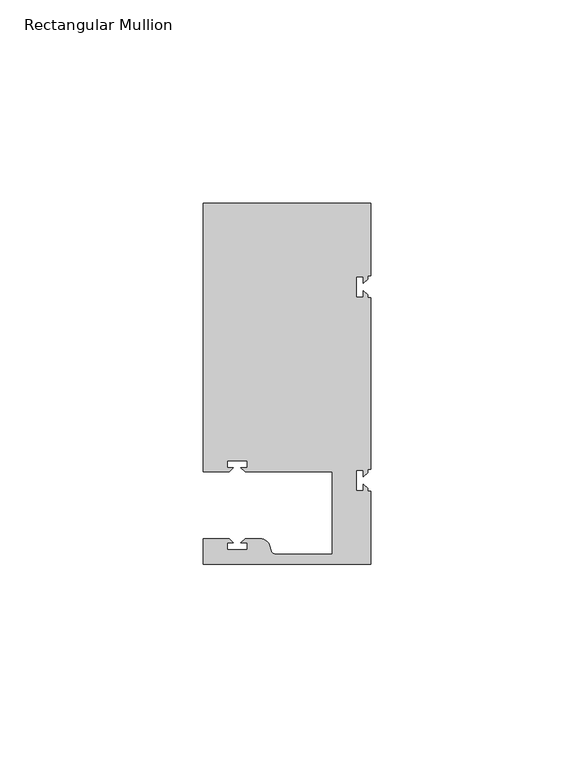
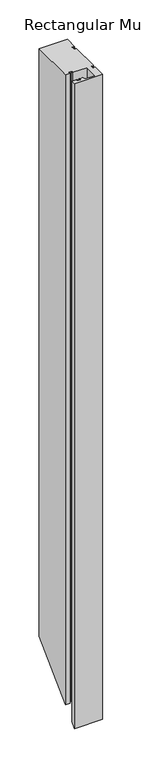
"""IFC4 building model written with IfcOpenShell, lengths in millimetres: member geometry, Rectangular Mullion."""

import ifcopenshell
import ifcopenshell.guid

model = None  # the IFC model being written
_history = None  # IfcOwnerHistory: only IFC2X3 demands one
_inside = {}  # id of a spatial element -> (the spatial element, [elements in it])
_under = {}  # id of a project, library or spatial element -> (it, [spatial elements below it])
_declared = {}  # id of a project -> (the project, [libraries it declares])
_typed = {}  # id of a type object -> (the type object, [elements of that type])
_made_of = {}  # id of a material, layer set ... -> (it, [elements and type objects made of it])


def new_model(schema):
    """Start an empty IFC model of exactly this schema.

    Asked for "IFC4X3", IfcOpenShell would pick the latest addendum, in which some entities
    have other attributes; the version numbers below select the first issue.
    IFC2X3 requires an IfcOwnerHistory on every rooted entity: one is made here for all.
    """
    global model, _history
    if schema == "IFC4X3":
        model = ifcopenshell.file(schema_version=(4, 3, 0, 0))
    else:
        model = ifcopenshell.file(schema=schema)
    _inside.clear()
    _under.clear()
    _declared.clear()
    _typed.clear()
    _made_of.clear()
    _history = None
    if model.schema == "IFC2X3":
        org = make("IfcOrganization", Name="unknown")
        user = make(
            "IfcPersonAndOrganization",
            ThePerson=make("IfcPerson", FamilyName="unknown"),
            TheOrganization=org,
        )
        app = make(
            "IfcApplication",
            ApplicationDeveloper=org,
            Version="unknown",
            ApplicationFullName="unknown",
            ApplicationIdentifier="unknown",
        )
        _history = make(
            "IfcOwnerHistory",
            OwningUser=user,
            OwningApplication=app,
            ChangeAction="ADDED",
            CreationDate=0,
        )
    return model


def make(cls, **values):
    """One entity of the class cls with the attributes given. An attribute that is None is left unset."""
    return model.create_entity(
        cls, **{name: value for name, value in values.items() if value is not None}
    )


def rooted(cls, **values):
    """An entity with a GlobalId (a new one), such as an element, a storey or a relation."""
    return make(cls, GlobalId=ifcopenshell.guid.new(), OwnerHistory=_history, **values)


def si_unit(unit_type, name, prefix=None):
    """IfcSIUnit, for example si_unit("LENGTHUNIT", "METRE", prefix="MILLI")."""
    return make("IfcSIUnit", UnitType=unit_type, Prefix=prefix, Name=name)


def assignment(units):
    """IfcUnitAssignment: the units of a project."""
    return None if units is None else make("IfcUnitAssignment", Units=units)


def point(xyz):
    """IfcCartesianPoint."""
    return None if xyz is None else make("IfcCartesianPoint", Coordinates=xyz)


def direction(xyz):
    """IfcDirection."""
    return None if xyz is None else make("IfcDirection", DirectionRatios=xyz)


def frame(location, z_axis=None, x_axis=None):
    """IfcAxis2Placement3D, a coordinate frame: its origin and axes. An axis left out is left unset."""
    return make(
        "IfcAxis2Placement3D",
        Location=point(location),
        Axis=direction(z_axis),
        RefDirection=direction(x_axis),
    )


def origin():
    """The frame at (0, 0, 0) with its axes left unset."""
    return frame((0.0, 0.0, 0.0))


def place(relative_to, where):
    """IfcLocalPlacement: puts the frame where relative to a parent placement (None: the world)."""
    return make(
        "IfcLocalPlacement", PlacementRelTo=relative_to, RelativePlacement=where
    )


def context(
    kind, dimensions, precision=None, world=None, true_north=None, identifier=None
):
    """IfcGeometricRepresentationContext, for example the 3D "Model" context."""
    return make(
        "IfcGeometricRepresentationContext",
        ContextIdentifier=identifier,
        ContextType=kind,
        CoordinateSpaceDimension=dimensions,
        Precision=precision,
        WorldCoordinateSystem=world,
        TrueNorth=true_north,
    )


def project(units=None, contexts=None):
    """IfcProject with its units and contexts."""
    return rooted(
        "IfcProject",
        Name="project",
        RepresentationContexts=contexts,
        UnitsInContext=assignment(units),
    )


def spatial(cls, under=None, at=None, **own):
    """A site, building, storey or space (cls), placed at a placement, below another one or the project."""
    s = rooted(cls, ObjectPlacement=at, **own)
    if under is not None:
        _under.setdefault(under.id(), (under, []))[1].append(s)
    return s


def polyline(points):
    """IfcPolyline through the points."""
    return make("IfcPolyline", Points=[point(p) for p in points])


def circle_curve(where, radius):
    """IfcCircle in the frame where."""
    return make("IfcCircle", Position=where, Radius=radius)


def ellipse_curve(where, semi_axis1, semi_axis2):
    """IfcEllipse in the frame where."""
    return make(
        "IfcEllipse", Position=where, SemiAxis1=semi_axis1, SemiAxis2=semi_axis2
    )


def shape(context_of_items, identifier, shape_type, items):
    """IfcShapeRepresentation: the items that make up one representation, for example the "Body"."""
    return make(
        "IfcShapeRepresentation",
        ContextOfItems=context_of_items,
        RepresentationIdentifier=identifier,
        RepresentationType=shape_type,
        Items=items,
    )


def source(mapping_origin, context_of_items, identifier, shape_type, items):
    """IfcRepresentationMap: a shape defined once, which mapped items show again and again."""
    return make(
        "IfcRepresentationMap",
        MappingOrigin=mapping_origin,
        MappedRepresentation=shape(context_of_items, identifier, shape_type, items),
    )


def transform(
    local_origin,
    x_axis=None,
    y_axis=None,
    z_axis=None,
    scale=None,
    scale2=None,
    scale3=None,
    uniform=True,
):
    """IfcCartesianTransformationOperator3D, or its non-uniform kind. x_axis, y_axis, z_axis: its Axis1, 2, 3."""
    if uniform:
        return make(
            "IfcCartesianTransformationOperator3D",
            Axis1=direction(x_axis),
            Axis2=direction(y_axis),
            LocalOrigin=point(local_origin),
            Scale=scale,
            Axis3=direction(z_axis),
        )
    return make(
        "IfcCartesianTransformationOperator3DnonUniform",
        Axis1=direction(x_axis),
        Axis2=direction(y_axis),
        LocalOrigin=point(local_origin),
        Scale=scale,
        Axis3=direction(z_axis),
        Scale2=scale2,
        Scale3=scale3,
    )


def mapped(mapping_source, mapping_target):
    """IfcMappedItem: shows the shape of a source again, moved by a transform."""
    return make(
        "IfcMappedItem", MappingSource=mapping_source, MappingTarget=mapping_target
    )


def made_of(thing, what):
    """Note that an element or type object is made of a material, layer set ...; save() writes the relation."""
    if what is not None:
        _made_of.setdefault(what.id(), (what, []))[1].append(thing)
    return thing


def element(
    cls,
    number,
    at=None,
    inside=None,
    cuts=None,
    type_object=None,
    material=None,
    context=None,
    identifier="Body",
    shape_type=None,
    held_by="IfcProductDefinitionShape",
    body=None,
    shapes=None,
    **own,
):
    """One element of the class cls, such as IfcWall. Its Tag is "e" and its number.

    at: its placement. inside: the storey or other place that contains it. cuts: it is an
    opening in that element (IfcRelVoidsElement). A single representation is given by context,
    identifier, shape_type and body (its items); several are given by shapes. held_by: the class
    of the entity that holds the representations. save() writes the other relations.
    """
    e = rooted(cls, Tag="e%d" % number, ObjectPlacement=at, **own)
    if body is not None:
        shapes = [shape(context, identifier, shape_type, body)]
    if shapes is not None:
        e.Representation = make(held_by, Representations=shapes)
    if inside is not None:
        _inside.setdefault(inside.id(), (inside, []))[1].append(e)
    if cuts is not None:
        rooted(
            "IfcRelVoidsElement", RelatingBuildingElement=cuts, RelatedOpeningElement=e
        )
    if type_object is not None:
        _typed.setdefault(type_object.id(), (type_object, []))[1].append(e)
    return made_of(e, material)


def aggregate(whole, parts):
    """IfcRelAggregates: a whole, such as a stair, and the parts it consists of."""
    return rooted("IfcRelAggregates", RelatingObject=whole, RelatedObjects=parts)


def save(model, path):
    """Write the relations noted so far, then the file.

    IfcRelAggregates (storeys below a building ...), IfcRelContainedInSpatialStructure (elements
    in a storey), IfcRelDefinesByType, IfcRelAssociatesMaterial and IfcRelDeclares: one each for
    every whole, place, type object, material and project.
    """
    for whole, parts in _under.values():
        aggregate(whole, parts)
    for where, things in _inside.values():
        rooted(
            "IfcRelContainedInSpatialStructure",
            RelatedElements=things,
            RelatingStructure=where,
        )
    for kind, things in _typed.values():
        rooted("IfcRelDefinesByType", RelatedObjects=things, RelatingType=kind)
    for what, things in _made_of.values():
        rooted("IfcRelAssociatesMaterial", RelatedObjects=things, RelatingMaterial=what)
    for by, libraries in _declared.values():
        rooted("IfcRelDeclares", RelatingContext=by, RelatedDefinitions=libraries)
    model.write(path)


def plane_surface(at):
    """IfcPlane: the flat surface through the origin of the frame at, square to its z axis."""
    return make("IfcPlane", Position=at)


def cylinder_surface(at, radius):
    """IfcCylindricalSurface: all points at the distance radius from the z axis of the frame at."""
    return make("IfcCylindricalSurface", Position=at, Radius=radius)


def revolved_surface(curve, axis_point, axis_direction):
    """IfcSurfaceOfRevolution: the curve turned about the line through axis_point along axis_direction."""
    return make(
        "IfcSurfaceOfRevolution",
        SweptCurve=make("IfcArbitraryOpenProfileDef", ProfileType="CURVE", Curve=curve),
        AxisPosition=make("IfcAxis1Placement", Location=point(axis_point), Axis=direction(axis_direction)),
    )


def advanced_brep(points, edges, surfaces, faces):
    """IfcAdvancedBrep: a solid bounded by faces that lie on surfaces and meet in shared edges.

    An edge is (start, end): straight between two places in points (the first is 0);
    or (start, end, curve); or (start, end, curve, False) where it runs against its curve.
    A face is (place in surfaces, loops), or (place, loops, False) where it looks against
    its surface's normal. A loop lists edges by number (the first is 1), with a minus sign
    where the edge is run from its end to its start. The first loop is the outer one.
    """
    corners = [point(p) for p in points]
    vertices = [make("IfcVertexPoint", VertexGeometry=c) for c in corners]
    made = []
    for start, end, *more in edges:
        made.append(
            make(
                "IfcEdgeCurve",
                EdgeStart=vertices[start],
                EdgeEnd=vertices[end],
                EdgeGeometry=more[0] if more else make("IfcPolyline", Points=[corners[start], corners[end]]),
                SameSense=more[1] if len(more) > 1 else True,
            )
        )
    hull = []
    for where, loops, *sense in faces:
        bounds = []
        for j, loop in enumerate(loops):
            ring = [make("IfcOrientedEdge", EdgeElement=made[abs(k) - 1], Orientation=k > 0) for k in loop]
            bounds.append(
                make(
                    "IfcFaceOuterBound" if j == 0 else "IfcFaceBound",
                    Bound=make("IfcEdgeLoop", EdgeList=ring),
                    Orientation=True,
                )
            )
        hull.append(make("IfcAdvancedFace", Bounds=bounds, FaceSurface=surfaces[where], SameSense=sense[0] if sense else True))
    return make("IfcAdvancedBrep", Outer=make("IfcClosedShell", CfsFaces=hull))


def rectangular_mullion_e3316a79(model_context):
    return source(origin(), model_context, "Body", "AdvancedBrep", [
        advanced_brep(
        [(0.0, -44.45, 0.0), (0.0, -26.5319902, 0.0), (-0.79375, -26.5319902, 0.0), (-0.79375, -25.7382402, 0.0), (-1.7937657, -24.7382245, 0.0), (-1.7937657, -26.3124974, 0.0), (-3.5938131, -26.3124974, 0.0), (-3.5938131, -21.3125026, 0.0), (-1.7937657, -21.3125026, 0.0), (-1.7937657, -22.88674, 0.0), (-0.79375, -21.8867243, 0.0), (-0.79375, -21.0930098, 0.0), (0.0, -21.0930098, 0.0), (0.0, 21.0930098, 0.0), (-0.79375, 21.0930098, 0.0), (-0.79375, 21.8867598, 0.0), (-1.7937657, 22.8867755, 0.0), (-1.7937657, 21.3125026, 0.0), (-3.5938131, 21.3125026, 0.0), (-3.5938131, 26.3124974, 0.0), (-1.7937657, 26.3124974, 0.0), (-1.7937657, 24.73826, 0.0), (-0.79375, 25.7382757, 0.0), (-0.79375, 26.5319902, 0.0), (0.0, 26.5319902, 0.0), (0.0, 44.45, 0.0), (-41.275, 44.45, 0.0), (-41.275, -21.749999, 0.0), (-34.8007562, -21.749999, 0.0), (-33.8007405, -20.7499834, 0.0), (-35.3750134, -20.7499834, 0.0), (-35.3750134, -18.949936, 0.0), (-30.3750186, -18.949936, 0.0), (-30.3750186, -20.7499834, 0.0), (-31.949256, -20.7499834, 0.0), (-30.9492434, -21.7499959, 0.0), (-9.525, -21.7499959, 0.0), (-9.525, -41.95, 0.0), (-23.5599329, -41.95, 0.0), (-24.5258588, -41.2088192, 0.0), (-24.8489707, -40.002949, 0.0), (-27.2637853, -38.1499966, 0.0), (-30.9492503, -38.1499966, 0.0), (-31.949256, -39.1500023, 0.0), (-30.3749831, -39.1500023, 0.0), (-30.3749831, -40.9498819, 0.0), (-35.3749778, -40.9498819, 0.0), (-35.3749778, -39.1500023, 0.0), (-33.8007405, -39.1500023, 0.0), (-34.8007531, -38.1499897, 0.0), (-41.2749977, -38.1499897, 0.0), (-41.2749977, -44.45, 0.0), (0.0, -44.45, -996.95), (0.0, -26.5319902, -979.0319902), (-0.79375, -26.5319902, -979.0319902), (-0.79375, -25.7382402, -978.2382402), (-1.7937657, -24.7382245, -977.2382245), (-1.7937657, -26.3124974, -978.8124974), (-3.5938131, -26.3124974, -978.8124974), (-3.5938131, -21.3125026, -973.8125026), (-1.7937657, -21.3125026, -973.8125026), (-1.7937657, -22.88674, -975.38674), (-0.79375, -21.8867243, -974.3867243), (-0.79375, -21.0930098, -973.5930098), (0.0, -21.0930098, -973.5930098), (0.0, 21.0930098, -931.4069902), (-0.79375, 21.0930098, -931.4069902), (-0.79375, 21.8867598, -930.6132402), (-1.7937657, 22.8867755, -929.6132245), (-1.7937657, 21.3125026, -931.1874974), (-3.5938131, 21.3125026, -931.1874974), (-3.5938131, 26.3124974, -926.1875026), (-1.7937657, 26.3124974, -926.1875026), (-1.7937657, 24.73826, -927.76174), (-0.79375, 25.7382757, -926.7617243), (-0.79375, 26.5319902, -925.9680098), (0.0, 26.5319902, -925.9680098), (0.0, 44.45, -908.05), (-41.275, 44.45, -908.05), (-41.275, -21.749999, -974.249999), (-34.8007562, -21.749999, -974.249999), (-33.8007405, -20.7499834, -973.2499834), (-35.3750134, -20.7499834, -973.2499834), (-35.3750134, -18.949936, -971.449936), (-30.3750186, -18.949936, -971.449936), (-30.3750186, -20.7499834, -973.2499834), (-31.949256, -20.7499834, -973.2499834), (-30.9492434, -21.7499959, -974.2499959), (-9.525, -21.7499959, -974.2499959), (-9.525, -41.95, -994.45), (-23.5599329, -41.95, -994.4500001), (-24.5258588, -41.2088192, -993.7088192), (-24.8489707, -40.002949, -992.502949), (-27.2637853, -38.1499966, -990.6499966), (-30.9492503, -38.1499966, -990.6499966), (-31.949256, -39.1500023, -991.6500023), (-30.3749831, -39.1500023, -991.6500023), (-30.3749831, -40.9498819, -993.4498819), (-35.3749778, -40.9498819, -993.4498819), (-35.3749778, -39.1500023, -991.6500023), (-33.8007405, -39.1500023, -991.6500023), (-34.8007531, -38.1499897, -990.6499897), (-41.2749977, -38.1499897, -990.6499897), (-41.2749977, -44.45, -996.95)],
        [
            (0, 1),
            (1, 2),
            (2, 3),
            (3, 4),
            (4, 5),
            (5, 6),
            (6, 7),
            (7, 8),
            (8, 9),
            (9, 10),
            (10, 11),
            (11, 12),
            (12, 13),
            (13, 14),
            (14, 15),
            (15, 16),
            (16, 17),
            (17, 18),
            (18, 19),
            (19, 20),
            (20, 21),
            (21, 22),
            (22, 23),
            (23, 24),
            (24, 25),
            (25, 26),
            (26, 27),
            (27, 28),
            (28, 29),
            (29, 30),
            (30, 31),
            (31, 32),
            (32, 33),
            (33, 34),
            (34, 35),
            (35, 36),
            (36, 37),
            (37, 38),
            (38, 39, circle_curve(frame((-23.5599329, -40.9500001, 0.0), z_axis=(0.0, 0.0, -1.0), x_axis=(0.0, 1.0, 0.0)), 1.0)),
            (39, 40),
            (40, 41, circle_curve(frame((-27.2637853, -40.6499966, 0.0), z_axis=(0.0, 0.0, 1.0), x_axis=(0.0, 1.0, 0.0)), 2.5)),
            (41, 42),
            (42, 43),
            (43, 44),
            (44, 45),
            (45, 46),
            (46, 47),
            (47, 48),
            (48, 49),
            (49, 50),
            (50, 51),
            (51, 0),
            (0, 52),
            (52, 53),
            (53, 1),
            (53, 54),
            (54, 2),
            (54, 55),
            (55, 3),
            (55, 56),
            (56, 4),
            (56, 57),
            (57, 5),
            (57, 58),
            (58, 6),
            (58, 59),
            (59, 7),
            (59, 60),
            (60, 8),
            (60, 61),
            (61, 9),
            (61, 62),
            (62, 10),
            (62, 63),
            (63, 11),
            (63, 64),
            (64, 12),
            (64, 65),
            (65, 13),
            (65, 66),
            (66, 14),
            (66, 67),
            (67, 15),
            (67, 68),
            (68, 16),
            (68, 69),
            (69, 17),
            (69, 70),
            (70, 18),
            (70, 71),
            (71, 19),
            (71, 72),
            (72, 20),
            (72, 73),
            (73, 21),
            (73, 74),
            (74, 22),
            (74, 75),
            (75, 23),
            (75, 76),
            (76, 24),
            (76, 77),
            (77, 25),
            (77, 78),
            (78, 26),
            (78, 79),
            (79, 27),
            (79, 80),
            (80, 28),
            (80, 81),
            (81, 29),
            (81, 82),
            (82, 30),
            (82, 83),
            (83, 31),
            (83, 84),
            (84, 32),
            (84, 85),
            (85, 33),
            (85, 86),
            (86, 34),
            (86, 87),
            (87, 35),
            (87, 88),
            (88, 36),
            (88, 89),
            (89, 37),
            (89, 90),
            (90, 38),
            (90, 91, ellipse_curve(frame((-23.5599329, -40.9500001, -993.4500001), z_axis=(0.0, 0.7071067811865476, -0.7071067811865476), x_axis=(0.0, -0.7071067811865476, -0.7071067811865474)), 1.4142136, 1.0)),
            (91, 39),
            (91, 92),
            (92, 40),
            (92, 93, ellipse_curve(frame((-27.2637853, -40.6499966, -993.1499966), z_axis=(0.0, -0.7071067811865476, 0.7071067811865476), x_axis=(0.0, 0.7071067811865476, 0.7071067811865474)), 3.5355339, 2.5)),
            (93, 41),
            (93, 94),
            (94, 42),
            (94, 95),
            (95, 43),
            (95, 96),
            (96, 44),
            (96, 97),
            (97, 45),
            (97, 98),
            (98, 46),
            (98, 99),
            (99, 47),
            (99, 100),
            (100, 48),
            (100, 101),
            (101, 49),
            (101, 102),
            (102, 50),
            (102, 103),
            (103, 51),
            (103, 52),
        ],
        [
            plane_surface(frame((0.0, -60.6582898, 0.0), z_axis=(0.0, 0.0, 1.0), x_axis=(-1.0, 0.0, 0.0))),
            plane_surface(frame((0.0, -44.45, 0.0), z_axis=(1.0, 0.0, 0.0), x_axis=(0.0, 0.0, -1.0))),
            plane_surface(frame((0.0, -26.5319902, 0.0), z_axis=(0.0, 1.0, 0.0), x_axis=(0.0, 0.0, -1.0))),
            plane_surface(frame((-0.79375, -26.5319902, 0.0), z_axis=(1.0, 0.0, 0.0), x_axis=(0.0, 0.0, -1.0))),
            plane_surface(frame((-0.79375, -25.7382402, 0.0), z_axis=(0.7071067811865522, 0.7071067811865429, 0.0), x_axis=(0.0, 0.0, -1.0))),
            plane_surface(frame((-1.7937657, -24.7382245, 0.0), z_axis=(-1.0, 0.0, 0.0), x_axis=(0.0, 0.0, -1.0))),
            plane_surface(frame((-1.7937657, -26.3124974, 0.0), z_axis=(0.0, 1.0, 0.0), x_axis=(0.0, 0.0, -1.0))),
            plane_surface(frame((-3.5938131, -26.3124974, 0.0), z_axis=(1.0, 0.0, 0.0), x_axis=(0.0, 0.0, -1.0))),
            plane_surface(frame((-3.5938131, -21.3125026, 0.0), z_axis=(0.0, -1.0, 0.0), x_axis=(0.0, 0.0, -1.0))),
            plane_surface(frame((-1.7937657, -21.3125026, 0.0), z_axis=(-1.0, 0.0, 0.0), x_axis=(0.0, 0.0, -1.0))),
            plane_surface(frame((-1.7937657, -22.88674, 0.0), z_axis=(0.7071067811865416, -0.7071067811865536, 0.0), x_axis=(0.0, 0.0, -1.0))),
            plane_surface(frame((-0.79375, -21.8867243, 0.0), z_axis=(1.0, 0.0, 0.0), x_axis=(0.0, 0.0, -1.0))),
            plane_surface(frame((-0.79375, -21.0930098, 0.0), z_axis=(0.0, -1.0, 0.0), x_axis=(0.0, 0.0, -1.0))),
            plane_surface(frame((0.0, -21.0930098, 0.0), z_axis=(1.0, 0.0, 0.0), x_axis=(0.0, 0.0, -1.0))),
            plane_surface(frame((0.0, 21.0930098, 0.0), z_axis=(0.0, 1.0, 0.0), x_axis=(0.0, 0.0, -1.0))),
            plane_surface(frame((-0.79375, 21.0930098, 0.0), z_axis=(1.0, 0.0, 0.0), x_axis=(0.0, 0.0, -1.0))),
            plane_surface(frame((-0.79375, 21.8867598, 0.0), z_axis=(0.7071067811865522, 0.7071067811865429, 0.0), x_axis=(0.0, 0.0, -1.0))),
            plane_surface(frame((-1.7937657, 22.8867755, 0.0), z_axis=(-1.0, 0.0, 0.0), x_axis=(0.0, 0.0, -1.0))),
            plane_surface(frame((-1.7937657, 21.3125026, 0.0), z_axis=(0.0, 1.0, 0.0), x_axis=(0.0, 0.0, -1.0))),
            plane_surface(frame((-3.5938131, 21.3125026, 0.0), z_axis=(1.0, 0.0, 0.0), x_axis=(0.0, 0.0, -1.0))),
            plane_surface(frame((-3.5938131, 26.3124974, 0.0), z_axis=(0.0, -1.0, 0.0), x_axis=(0.0, 0.0, -1.0))),
            plane_surface(frame((-1.7937657, 26.3124974, 0.0), z_axis=(-1.0, 0.0, 0.0), x_axis=(0.0, 0.0, -1.0))),
            plane_surface(frame((-1.7937657, 24.73826, 0.0), z_axis=(0.7071067811865416, -0.7071067811865536, 0.0), x_axis=(0.0, 0.0, -1.0))),
            plane_surface(frame((-0.79375, 25.7382757, 0.0), z_axis=(1.0, 0.0, 0.0), x_axis=(0.0, 0.0, -1.0))),
            plane_surface(frame((-0.79375, 26.5319902, 0.0), z_axis=(0.0, -1.0, 0.0), x_axis=(0.0, 0.0, -1.0))),
            plane_surface(frame((0.0, 26.5319902, 0.0), z_axis=(1.0, 0.0, 0.0), x_axis=(0.0, 0.0, -1.0))),
            plane_surface(frame((0.0, 44.45, 0.0), z_axis=(0.0, 1.0, 0.0), x_axis=(0.0, 0.0, -1.0))),
            plane_surface(frame((-41.275, 44.45, 0.0), z_axis=(-1.0, 0.0, 0.0), x_axis=(0.0, 0.0, -1.0))),
            plane_surface(frame((-41.275, -21.749999, 0.0), z_axis=(0.0, -1.0, 0.0), x_axis=(0.0, 0.0, -1.0))),
            plane_surface(frame((-34.8007562, -21.749999, 0.0), z_axis=(0.7071067811865472, -0.7071067811865479, 0.0), x_axis=(0.0, 0.0, -1.0))),
            plane_surface(frame((-33.8007405, -20.7499834, 0.0), z_axis=(0.0, 1.0, 0.0), x_axis=(0.0, 0.0, -1.0))),
            plane_surface(frame((-35.3750134, -20.7499834, 0.0), z_axis=(1.0, 0.0, 0.0), x_axis=(0.0, 0.0, -1.0))),
            plane_surface(frame((-35.3750134, -18.949936, 0.0), z_axis=(0.0, -1.0, 0.0), x_axis=(0.0, 0.0, -1.0))),
            plane_surface(frame((-30.3750186, -18.949936, 0.0), z_axis=(-1.0, 0.0, 0.0), x_axis=(0.0, 0.0, -1.0))),
            plane_surface(frame((-30.3750186, -20.7499834, 0.0), z_axis=(0.0, 1.0, 0.0), x_axis=(0.0, 0.0, -1.0))),
            plane_surface(frame((-31.949256, -20.7499834, 0.0), z_axis=(-0.7071067811865492, -0.7071067811865459, 0.0), x_axis=(0.0, 0.0, -1.0))),
            plane_surface(frame((-30.9492434, -21.7499959, 0.0), z_axis=(0.0, -1.0, 0.0), x_axis=(0.0, 0.0, -1.0))),
            plane_surface(frame((-9.525, -21.7499959, 0.0), z_axis=(-1.0, 0.0, 0.0), x_axis=(0.0, 0.0, -1.0))),
            plane_surface(frame((-9.525, -41.95, 0.0), z_axis=(0.0, 1.0, 0.0), x_axis=(0.0, 0.0, -1.0))),
            revolved_surface(polyline([(-23.5599329, -39.9500001, -994.4500001266063), (-23.5599329, -39.9500001, 0.0)]), (-23.5599329, -40.9500001, 0.0), (0.0, 0.0, -1.0)),
            plane_surface(frame((-24.5258588, -41.2088192, 0.0), z_axis=(0.965925826289163, 0.2588190451021675, 0.0), x_axis=(0.0, 0.0, -1.0))),
            cylinder_surface(frame((-27.2637853, -40.6499966, 0.0), z_axis=(0.0, 0.0, 1.0), x_axis=(0.0, 1.0, 0.0)), 2.5),
            plane_surface(frame((-27.2637853, -38.1499966, 0.0), z_axis=(0.0, 1.0, 0.0), x_axis=(0.0, 0.0, -1.0))),
            plane_surface(frame((-30.9492503, -38.1499966, 0.0), z_axis=(-0.7071067811865469, 0.7071067811865481, 0.0), x_axis=(0.0, 0.0, -1.0))),
            plane_surface(frame((-31.949256, -39.1500023, 0.0), z_axis=(0.0, -1.0, 0.0), x_axis=(0.0, 0.0, -1.0))),
            plane_surface(frame((-30.3749831, -39.1500023, 0.0), z_axis=(-1.0, 0.0, 0.0), x_axis=(0.0, 0.0, -1.0))),
            plane_surface(frame((-30.3749831, -40.9498819, 0.0), z_axis=(0.0, 1.0, 0.0), x_axis=(0.0, 0.0, -1.0))),
            plane_surface(frame((-35.3749778, -40.9498819, 0.0), z_axis=(1.0, 0.0, 0.0), x_axis=(0.0, 0.0, -1.0))),
            plane_surface(frame((-35.3749778, -39.1500023, 0.0), z_axis=(0.0, -1.0, 0.0), x_axis=(0.0, 0.0, -1.0))),
            plane_surface(frame((-33.8007405, -39.1500023, 0.0), z_axis=(0.7071067811865492, 0.7071067811865459, 0.0), x_axis=(0.0, 0.0, -1.0))),
            plane_surface(frame((-34.8007531, -38.1499897, 0.0), z_axis=(0.0, 1.0, 0.0), x_axis=(0.0, 0.0, -1.0))),
            plane_surface(frame((-41.2749977, -38.1499897, 0.0), z_axis=(-1.0, 0.0, 0.0), x_axis=(0.0, 0.0, -1.0))),
            plane_surface(frame((-41.2749977, -44.45, 0.0), z_axis=(0.0, -1.0, 0.0), x_axis=(0.0, 0.0, -1.0))),
            plane_surface(frame((-304.8, 0.0, -952.5), z_axis=(0.0, 0.7071067811865476, -0.7071067811865476), x_axis=(0.0, 0.7071067811865476, 0.7071067811865476))),
        ],
        [
            (0, [[1, 2, 3, 4, 5, 6, 7, 8, 9, 10, 11, 12, 13, 14, 15, 16, 17, 18, 19, 20, 21, 22, 23, 24, 25, 26, 27, 28, 29, 30, 31, 32, 33, 34, 35, 36, 37, 38, 39, 40, 41, 42, 43, 44, 45, 46, 47, 48, 49, 50, 51, 52]]),
            (1, [[-1, 53, 54, 55]]),
            (2, [[-2, -55, 56, 57]]),
            (3, [[-3, -57, 58, 59]]),
            (4, [[-4, -59, 60, 61]]),
            (5, [[-5, -61, 62, 63]]),
            (6, [[-6, -63, 64, 65]]),
            (7, [[-7, -65, 66, 67]]),
            (8, [[-8, -67, 68, 69]]),
            (9, [[-9, -69, 70, 71]]),
            (10, [[-10, -71, 72, 73]]),
            (11, [[-11, -73, 74, 75]]),
            (12, [[-12, -75, 76, 77]]),
            (13, [[-13, -77, 78, 79]]),
            (14, [[-14, -79, 80, 81]]),
            (15, [[-15, -81, 82, 83]]),
            (16, [[-16, -83, 84, 85]]),
            (17, [[-17, -85, 86, 87]]),
            (18, [[-18, -87, 88, 89]]),
            (19, [[-19, -89, 90, 91]]),
            (20, [[-20, -91, 92, 93]]),
            (21, [[-21, -93, 94, 95]]),
            (22, [[-22, -95, 96, 97]]),
            (23, [[-23, -97, 98, 99]]),
            (24, [[-24, -99, 100, 101]]),
            (25, [[-25, -101, 102, 103]]),
            (26, [[-26, -103, 104, 105]]),
            (27, [[-27, -105, 106, 107]]),
            (28, [[-28, -107, 108, 109]]),
            (29, [[-29, -109, 110, 111]]),
            (30, [[-30, -111, 112, 113]]),
            (31, [[-31, -113, 114, 115]]),
            (32, [[-32, -115, 116, 117]]),
            (33, [[-33, -117, 118, 119]]),
            (34, [[-34, -119, 120, 121]]),
            (35, [[-35, -121, 122, 123]]),
            (36, [[-36, -123, 124, 125]]),
            (37, [[-37, -125, 126, 127]]),
            (38, [[-38, -127, 128, 129]]),
            (39, [[-39, -129, 130, 131]]),
            (40, [[-40, -131, 132, 133]]),
            (41, [[-41, -133, 134, 135]]),
            (42, [[-42, -135, 136, 137]]),
            (43, [[-43, -137, 138, 139]]),
            (44, [[-44, -139, 140, 141]]),
            (45, [[-45, -141, 142, 143]]),
            (46, [[-46, -143, 144, 145]]),
            (47, [[-47, -145, 146, 147]]),
            (48, [[-48, -147, 148, 149]]),
            (49, [[-49, -149, 150, 151]]),
            (50, [[-50, -151, 152, 153]]),
            (51, [[-51, -153, 154, 155]]),
            (52, [[-52, -155, 156, -53]]),
            (53, [[-156, -154, -152, -150, -148, -146, -144, -142, -140, -138, -136, -134, -132, -130, -128, -126, -124, -122, -120, -118, -116, -114, -112, -110, -108, -106, -104, -102, -100, -98, -96, -94, -92, -90, -88, -86, -84, -82, -80, -78, -76, -74, -72, -70, -68, -66, -64, -62, -60, -58, -56, -54]]),
        ],
    ),
    ])


if __name__ == "__main__":
    model = new_model("IFC4")
    model_context = context("Model", 3, world=origin())
    ifc_project = project(units=[si_unit("LENGTHUNIT", "METRE", prefix="MILLI")], contexts=[model_context])
    site = spatial("IfcSite", under=ifc_project)
    building = spatial("IfcBuilding", under=site)
    placement = place(None, origin())
    rectangular_mullion_shape = rectangular_mullion_e3316a79(model_context)
    element("IfcMember", 1, ObjectType="Rectangular Mullion", at=placement, inside=building, context=model_context, shape_type="MappedRepresentation", body=[
        mapped(rectangular_mullion_shape, transform((0.0, 0.0, 0.0), x_axis=(1.0, 0.0, 0.0), y_axis=(0.0, 1.0, 0.0), z_axis=(0.0, 0.0, 1.0))),
    ])
    save(model, "model.ifc")
